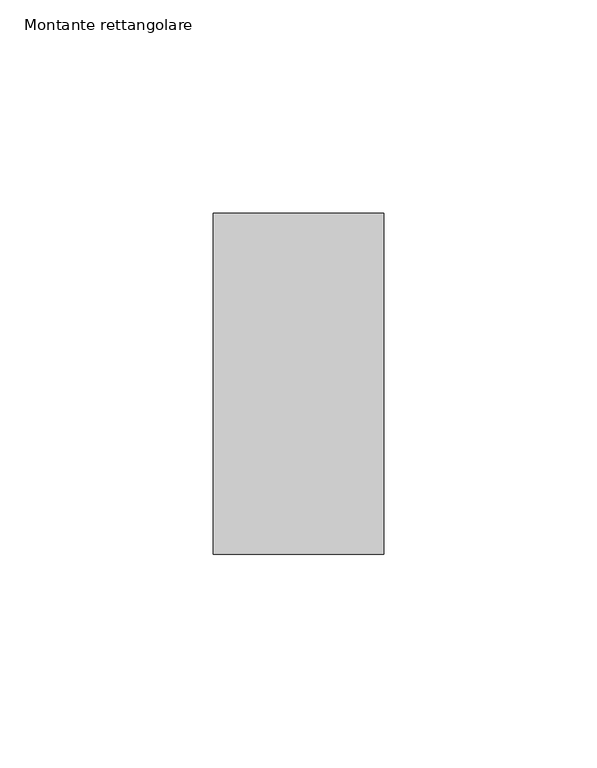
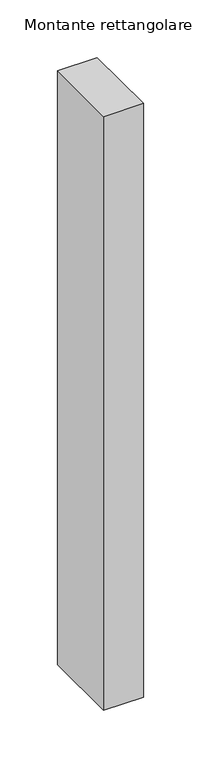
"""IFC4 building model written with IfcOpenShell, lengths in millimetres: member geometry, Montante rettangolare."""

from ifc_helpers import new_model, si_unit, frame, origin, place, context, project, spatial, polyline, outline, extrude, source, transform, mapped, element, save


def montante_rettangolare_55e1808f(model_context):
    return source(origin(), model_context, "Body", "SweptSolid", [
        extrude(outline(polyline([(20.0, 60.0), (20.0, -20.0), (-20.0, -20.0), (-20.0, 60.0), (20.0, 60.0)])), frame((0.0, 0.0, -629.3835829), z_axis=(0.0, 0.0, 1.0), x_axis=(1.0, 0.0, 0.0)), (0.0, 0.0, 1.0), 629.3835829),
    ])


if __name__ == "__main__":
    model = new_model("IFC4")
    model_context = context("Model", 3, world=origin())
    ifc_project = project(units=[si_unit("LENGTHUNIT", "METRE", prefix="MILLI")], contexts=[model_context])
    site = spatial("IfcSite", under=ifc_project)
    building = spatial("IfcBuilding", under=site)
    placement = place(None, origin())
    montante_rettangolare_shape = montante_rettangolare_55e1808f(model_context)
    element("IfcMember", 1, ObjectType="Montante rettangolare", at=placement, inside=building, context=model_context, shape_type="MappedRepresentation", body=[
        mapped(montante_rettangolare_shape, transform((0.0, 0.0, 0.0), x_axis=(1.0, 0.0, 0.0), y_axis=(0.0, 1.0, 0.0), z_axis=(0.0, 0.0, 1.0))),
    ])
    save(model, "model.ifc")
